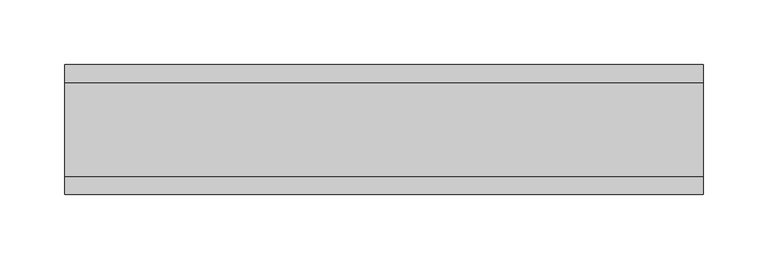
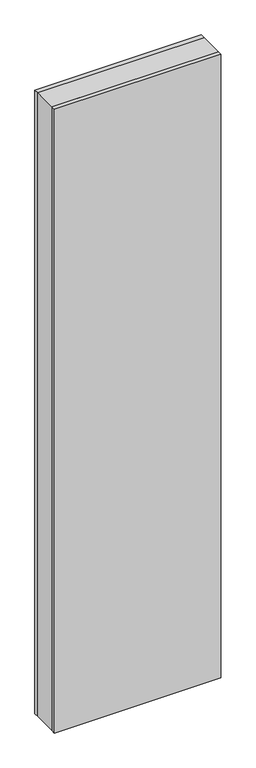
"""IFC4 building model written with IfcOpenShell, lengths in millimetres: plate geometry."""

from ifc_helpers import new_model, si_unit, origin, origin_with_axes, place, context, project, spatial, polyline, outline, extrude, source, transform, mapped, element, save


def plate_3019527a(model_context):
    return source(origin(), model_context, "Body", "SweptSolid", [
        extrude(outline(polyline([(245.3999998, 36.0), (245.3999998, -36.0), (-245.3999998, -36.0), (-245.3999998, 36.0), (245.3999998, 36.0)])), origin_with_axes(), (0.0, 0.0, 1.0), 1943.6971514),
        extrude(outline(polyline([(245.3999998, 50.0), (245.3999998, 36.0), (-245.3999998, 36.0), (-245.3999998, 50.0), (245.3999998, 50.0)])), origin_with_axes(), (0.0, 0.0, 1.0), 1943.6971514),
        extrude(outline(polyline([(245.3999998, -36.0), (245.3999998, -50.0), (-245.3999998, -50.0), (-245.3999998, -36.0), (245.3999998, -36.0)])), origin_with_axes(), (0.0, 0.0, 1.0), 1943.6971514),
    ])


if __name__ == "__main__":
    model = new_model("IFC4")
    model_context = context("Model", 3, world=origin())
    ifc_project = project(units=[si_unit("LENGTHUNIT", "METRE", prefix="MILLI")], contexts=[model_context])
    site = spatial("IfcSite", under=ifc_project)
    building = spatial("IfcBuilding", under=site)
    placement = place(None, origin())
    plate_shape = plate_3019527a(model_context)
    element("IfcPlate", 1, at=placement, inside=building, context=model_context, shape_type="MappedRepresentation", body=[
        mapped(plate_shape, transform((0.0, 0.0, 0.0), x_axis=(1.0, 0.0, 0.0), y_axis=(0.0, 1.0, 0.0), z_axis=(0.0, 0.0, 1.0))),
    ])
    save(model, "model.ifc")
